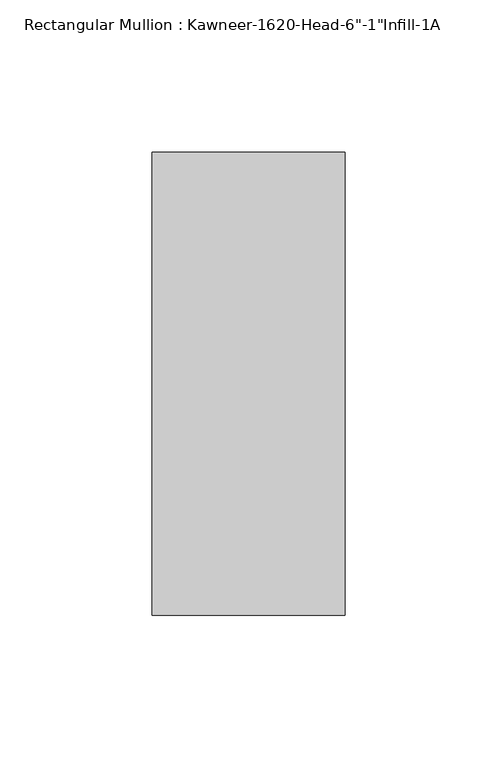
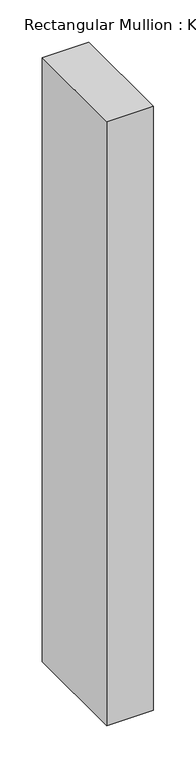
"""IFC4 building model written with IfcOpenShell, lengths in millimetres: member geometry."""

from ifc_helpers import new_model, si_unit, frame, origin, place, context, project, spatial, polyline, outline, extrude, source, transform, mapped, element, save


def member_dbde0252(model_context):
    return source(origin(), model_context, "Body", "SweptSolid", [
        extrude(outline(polyline([(-63.5, 38.1), (0.0, 38.1), (0.0, -114.3), (-63.5, -114.3), (-63.5, 38.1)])), frame((0.0, 0.0, -870.8182369), z_axis=(0.0, 0.0, 1.0), x_axis=(1.0, 0.0, 0.0)), (0.0, 0.0, 1.0), 870.8182369),
    ])


if __name__ == "__main__":
    model = new_model("IFC4")
    model_context = context("Model", 3, world=origin())
    ifc_project = project(units=[si_unit("LENGTHUNIT", "METRE", prefix="MILLI")], contexts=[model_context])
    site = spatial("IfcSite", under=ifc_project)
    building = spatial("IfcBuilding", under=site)
    placement = place(None, origin())
    member_shape = member_dbde0252(model_context)
    element("IfcMember", 1, ObjectType="Rectangular Mullion : Kawneer-1620-Head-6\"-1\"Infill-1A", at=placement, inside=building, context=model_context, shape_type="MappedRepresentation", body=[
        mapped(member_shape, transform((0.0, 0.0, 0.0), x_axis=(1.0, 0.0, 0.0), y_axis=(0.0, 1.0, 0.0), z_axis=(0.0, 0.0, 1.0))),
    ])
    save(model, "model.ifc")
